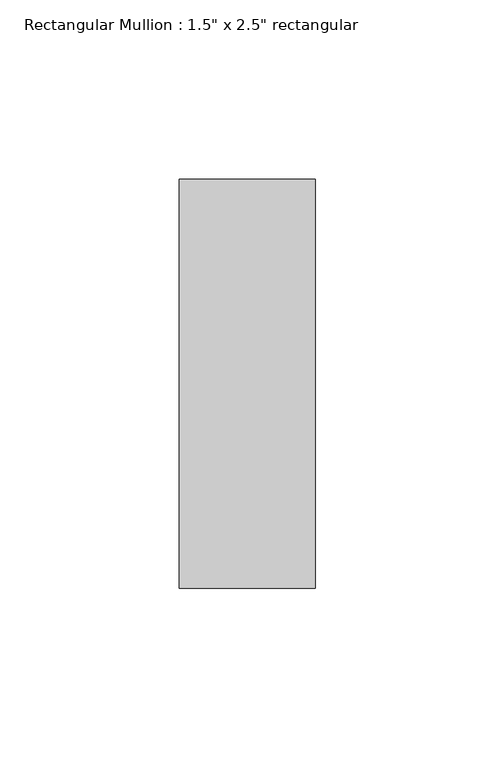
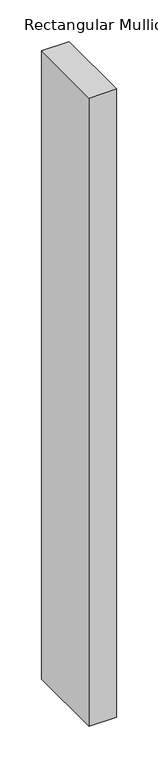
"""IFC4 building model written with IfcOpenShell, lengths in millimetres: member geometry."""

from ifc_helpers import new_model, si_unit, frame, origin, place, context, project, spatial, polyline, outline, extrude, source, transform, mapped, element, save


def member_61324ca3(model_context):
    return source(origin(), model_context, "Body", "SweptSolid", [
        extrude(outline(polyline([(0.0, 57.15), (0.0, -57.15), (-38.1, -57.15), (-38.1, 57.15), (0.0, 57.15)])), frame((0.0, 0.0, -920.75), z_axis=(0.0, 0.0, 1.0), x_axis=(1.0, 0.0, 0.0)), (0.0, 0.0, 1.0), 920.75),
    ])


if __name__ == "__main__":
    model = new_model("IFC4")
    model_context = context("Model", 3, world=origin())
    ifc_project = project(units=[si_unit("LENGTHUNIT", "METRE", prefix="MILLI")], contexts=[model_context])
    site = spatial("IfcSite", under=ifc_project)
    building = spatial("IfcBuilding", under=site)
    placement = place(None, origin())
    member_shape = member_61324ca3(model_context)
    element("IfcMember", 1, ObjectType="Rectangular Mullion : 1.5\" x 2.5\" rectangular", at=placement, inside=building, context=model_context, shape_type="MappedRepresentation", body=[
        mapped(member_shape, transform((0.0, 0.0, 0.0), x_axis=(1.0, 0.0, 0.0), y_axis=(0.0, 1.0, 0.0), z_axis=(0.0, 0.0, 1.0))),
    ])
    save(model, "model.ifc")
